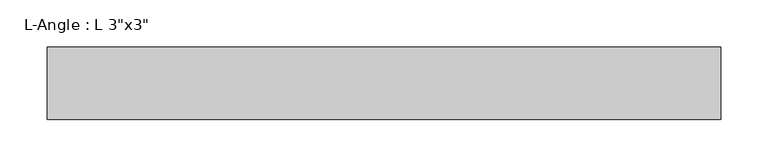
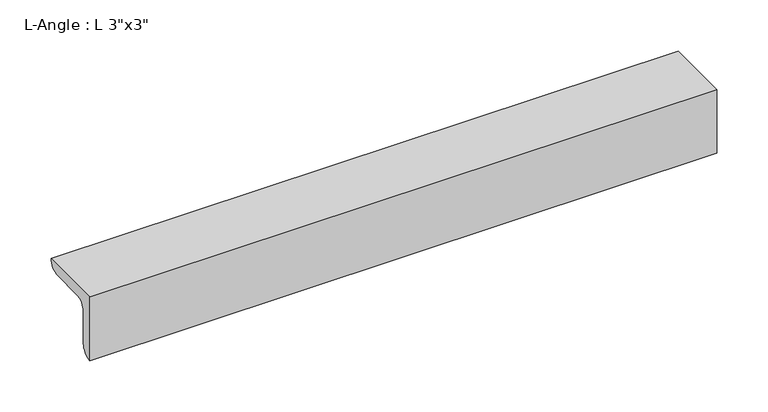
"""IFC4 building model written with IfcOpenShell, lengths in millimetres: beam geometry."""

from ifc_helpers import new_model, si_unit, point, frame, frame_2d, origin, place, context, project, spatial, polyline, circle_curve, trimmed, segment, composite_curve, outline, extrude, source, transform, mapped, element, save


def beam_a5089803(model_context):
    return source(origin(), model_context, "Body", "SweptSolid", [
        extrude(outline(composite_curve([segment(polyline([(-24.9039062, 50.3039062), (51.2960938, 50.3039062)]), True, "CONTINUOUS"), segment(trimmed(circle_curve(frame_2d((38.5960938, 50.3039062)), 12.7), [point((51.2960938, 50.3039062))], [point((38.5960938, 37.6039062))], False, "CARTESIAN"), True, "CONTINUOUS"), segment(polyline([(38.5960938, 37.6039062), (0.4960938, 37.6039062)]), True, "CONTINUOUS"), segment(trimmed(circle_curve(frame_2d((0.4960938, 24.9039062)), 12.7), [point((0.4960938, 37.6039062))], [point((-12.2039062, 24.9039062))], True, "CARTESIAN"), True, "CONTINUOUS"), segment(polyline([(-12.2039062, 24.9039062), (-12.2039062, -13.1960938)]), True, "CONTINUOUS"), segment(trimmed(circle_curve(frame_2d((-24.9039062, -13.1960938)), 12.7), [point((-12.2039062, -13.1960938))], [point((-24.9039062, -25.8960938))], False, "CARTESIAN"), True, "CONTINUOUS"), segment(polyline([(-24.9039062, -25.8960938), (-24.9039062, 50.3039062)]), True, "CONTINUOUS")], self_intersect=False)), frame((-354.517447, 0.0, 0.0), z_axis=(1.0, 0.0, 0.0), x_axis=(0.0, 1.0, 0.0)), (0.0, 0.0, 1.0), 709.0348939),
    ])


if __name__ == "__main__":
    model = new_model("IFC4")
    model_context = context("Model", 3, world=origin())
    ifc_project = project(units=[si_unit("LENGTHUNIT", "METRE", prefix="MILLI")], contexts=[model_context])
    site = spatial("IfcSite", under=ifc_project)
    building = spatial("IfcBuilding", under=site)
    placement = place(None, origin())
    beam_shape = beam_a5089803(model_context)
    element("IfcBeam", 1, ObjectType="L-Angle : L 3\"x3\"", at=placement, inside=building, context=model_context, shape_type="MappedRepresentation", body=[
        mapped(beam_shape, transform((0.0, 0.0, 0.0), x_axis=(1.0, 0.0, 0.0), y_axis=(0.0, 1.0, 0.0), z_axis=(0.0, 0.0, 1.0))),
    ])
    save(model, "model.ifc")
